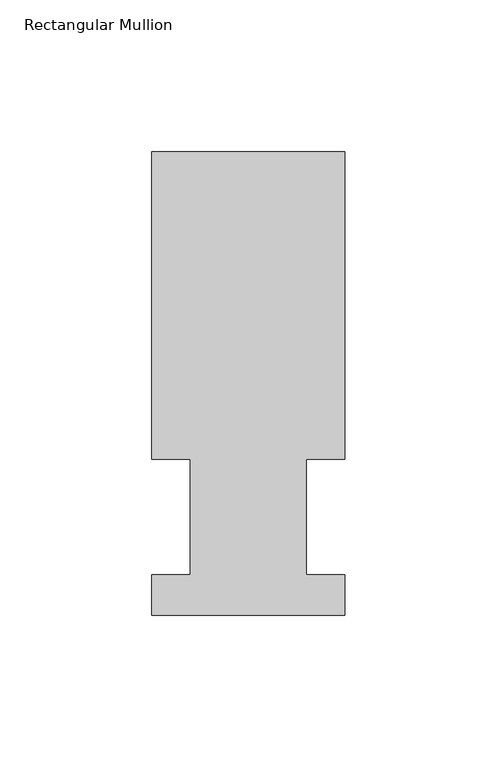
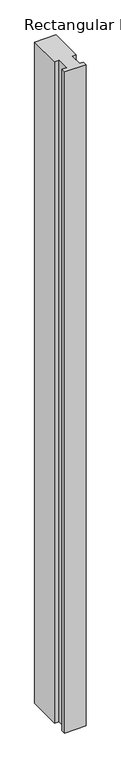
"""IFC4 building model written with IfcOpenShell, lengths in millimetres: member geometry, Rectangular Mullion."""

from ifc_helpers import new_model, si_unit, frame, origin, place, context, project, spatial, polyline, outline, extrude, source, transform, mapped, element, save


def rectangular_mullion_9c88edc8(model_context):
    return source(origin(), model_context, "Body", "SweptSolid", [
        extrude(outline(polyline([(31.75, 152.4896937), (31.75, 51.2960938), (19.05, 51.2960938), (19.05, 13.1960937), (31.75, 13.1960937), (31.75, 0.0134937), (-31.75, 0.0134937), (-31.75, 13.1960937), (-19.05, 13.1960937), (-19.05, 51.2960938), (-31.75, 51.2960938), (-31.75, 152.4896937), (31.75, 152.4896937)])), frame((0.0, 0.0, -2057.4), z_axis=(0.0, 0.0, 1.0), x_axis=(1.0, 0.0, 0.0)), (0.0, 0.0, 1.0), 2057.4),
    ])


if __name__ == "__main__":
    model = new_model("IFC4")
    model_context = context("Model", 3, world=origin())
    ifc_project = project(units=[si_unit("LENGTHUNIT", "METRE", prefix="MILLI")], contexts=[model_context])
    site = spatial("IfcSite", under=ifc_project)
    building = spatial("IfcBuilding", under=site)
    placement = place(None, origin())
    rectangular_mullion_shape = rectangular_mullion_9c88edc8(model_context)
    element("IfcMember", 1, ObjectType="Rectangular Mullion", at=placement, inside=building, context=model_context, shape_type="MappedRepresentation", body=[
        mapped(rectangular_mullion_shape, transform((0.0, 0.0, 0.0), x_axis=(1.0, 0.0, 0.0), y_axis=(0.0, 1.0, 0.0), z_axis=(0.0, 0.0, 1.0))),
    ])
    save(model, "model.ifc")
